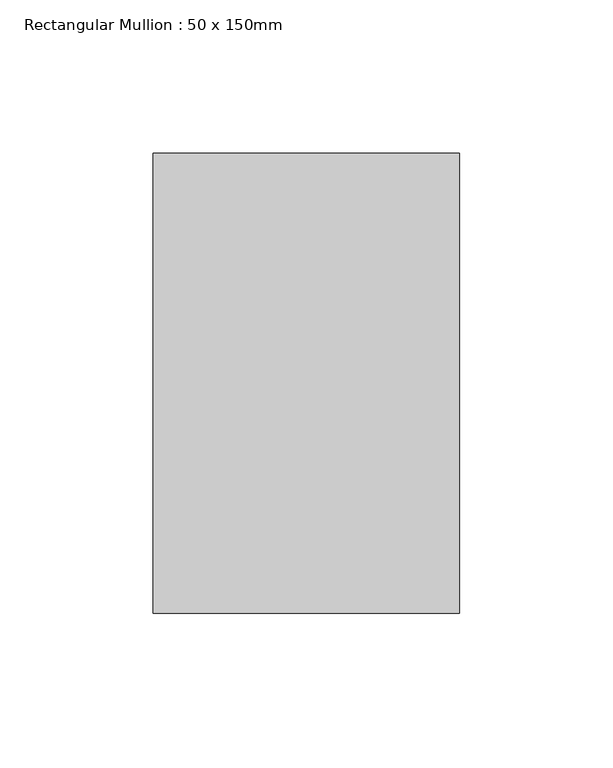
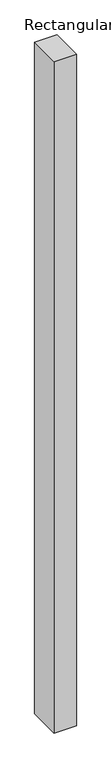
"""IFC4 building model written with IfcOpenShell, lengths in millimetres: member geometry, Rectangular Mullion : 50 x 150mm."""

from ifc_helpers import new_model, si_unit, frame, origin, place, context, project, spatial, polyline, outline, extrude, source, transform, mapped, element, save


def rectangular_mullion_50_x_150mm_bf150ae2(model_context):
    return source(origin(), model_context, "Body", "SweptSolid", [
        extrude(outline(polyline([(50.0, 75.0), (50.0, -75.0), (-50.0, -75.0), (-50.0, 75.0), (50.0, 75.0)])), frame((0.0, 0.0, -3180.2859694), z_axis=(0.0, 0.0, 1.0), x_axis=(1.0, 0.0, 0.0)), (0.0, 0.0, 1.0), 3180.2859694),
    ])


if __name__ == "__main__":
    model = new_model("IFC4")
    model_context = context("Model", 3, world=origin())
    ifc_project = project(units=[si_unit("LENGTHUNIT", "METRE", prefix="MILLI")], contexts=[model_context])
    site = spatial("IfcSite", under=ifc_project)
    building = spatial("IfcBuilding", under=site)
    placement = place(None, origin())
    rectangular_mullion_50_x_150mm_shape = rectangular_mullion_50_x_150mm_bf150ae2(model_context)
    element("IfcMember", 1, ObjectType="Rectangular Mullion : 50 x 150mm", at=placement, inside=building, context=model_context, shape_type="MappedRepresentation", body=[
        mapped(rectangular_mullion_50_x_150mm_shape, transform((0.0, 0.0, 0.0), x_axis=(1.0, 0.0, 0.0), y_axis=(0.0, 1.0, 0.0), z_axis=(0.0, 0.0, 1.0))),
    ])
    save(model, "model.ifc")
